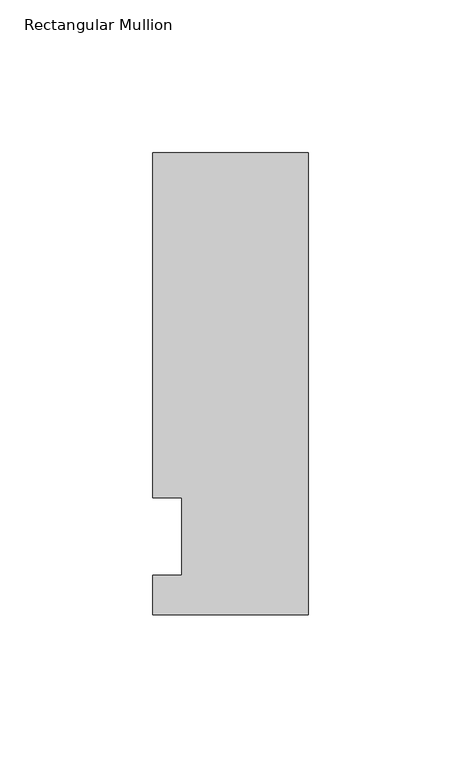
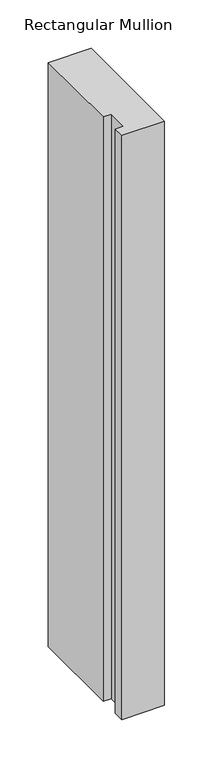
"""IFC4 building model written with IfcOpenShell, lengths in millimetres: member geometry, Rectangular Mullion."""

from ifc_helpers import new_model, si_unit, frame, origin, place, context, project, spatial, polyline, outline, extrude, source, transform, mapped, element, save


def rectangular_mullion_757678f7(model_context):
    return source(origin(), model_context, "Body", "SweptSolid", [
        extrude(outline(polyline([(-50.8, -25.5984375), (-50.8, -12.7), (-41.275, -12.7), (-41.275, 12.7), (-50.8, 12.7), (-50.8, 125.6109375), (0.0, 125.6109375), (0.0, -25.5984375), (-50.8, -25.5984375)])), frame((0.0, 0.0, -736.6), z_axis=(0.0, 0.0, 1.0), x_axis=(1.0, 0.0, 0.0)), (0.0, 0.0, 1.0), 736.6),
    ])


if __name__ == "__main__":
    model = new_model("IFC4")
    model_context = context("Model", 3, world=origin())
    ifc_project = project(units=[si_unit("LENGTHUNIT", "METRE", prefix="MILLI")], contexts=[model_context])
    site = spatial("IfcSite", under=ifc_project)
    building = spatial("IfcBuilding", under=site)
    placement = place(None, origin())
    rectangular_mullion_shape = rectangular_mullion_757678f7(model_context)
    element("IfcMember", 1, ObjectType="Rectangular Mullion", at=placement, inside=building, context=model_context, shape_type="MappedRepresentation", body=[
        mapped(rectangular_mullion_shape, transform((0.0, 0.0, 0.0), x_axis=(1.0, 0.0, 0.0), y_axis=(0.0, 1.0, 0.0), z_axis=(0.0, 0.0, 1.0))),
    ])
    save(model, "model.ifc")
